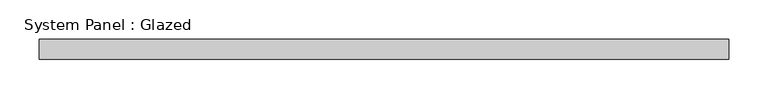
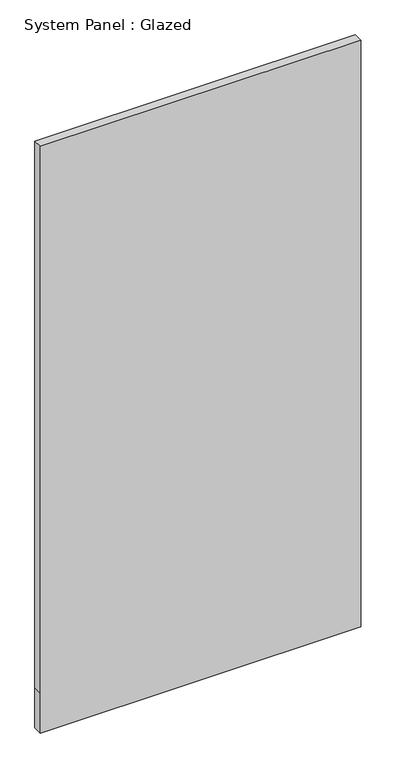
"""IFC4 building model written with IfcOpenShell, lengths in millimetres: plate geometry, System Panel : Glazed."""

import ifcopenshell
import ifcopenshell.guid

model = None  # the IFC model being written
_history = None  # IfcOwnerHistory: only IFC2X3 demands one
_inside = {}  # id of a spatial element -> (the spatial element, [elements in it])
_under = {}  # id of a project, library or spatial element -> (it, [spatial elements below it])
_declared = {}  # id of a project -> (the project, [libraries it declares])
_typed = {}  # id of a type object -> (the type object, [elements of that type])
_made_of = {}  # id of a material, layer set ... -> (it, [elements and type objects made of it])


def new_model(schema):
    """Start an empty IFC model of exactly this schema.

    Asked for "IFC4X3", IfcOpenShell would pick the latest addendum, in which some entities
    have other attributes; the version numbers below select the first issue.
    IFC2X3 requires an IfcOwnerHistory on every rooted entity: one is made here for all.
    """
    global model, _history
    if schema == "IFC4X3":
        model = ifcopenshell.file(schema_version=(4, 3, 0, 0))
    else:
        model = ifcopenshell.file(schema=schema)
    _inside.clear()
    _under.clear()
    _declared.clear()
    _typed.clear()
    _made_of.clear()
    _history = None
    if model.schema == "IFC2X3":
        org = make("IfcOrganization", Name="unknown")
        user = make(
            "IfcPersonAndOrganization",
            ThePerson=make("IfcPerson", FamilyName="unknown"),
            TheOrganization=org,
        )
        app = make(
            "IfcApplication",
            ApplicationDeveloper=org,
            Version="unknown",
            ApplicationFullName="unknown",
            ApplicationIdentifier="unknown",
        )
        _history = make(
            "IfcOwnerHistory",
            OwningUser=user,
            OwningApplication=app,
            ChangeAction="ADDED",
            CreationDate=0,
        )
    return model


def make(cls, **values):
    """One entity of the class cls with the attributes given. An attribute that is None is left unset."""
    return model.create_entity(
        cls, **{name: value for name, value in values.items() if value is not None}
    )


def rooted(cls, **values):
    """An entity with a GlobalId (a new one), such as an element, a storey or a relation."""
    return make(cls, GlobalId=ifcopenshell.guid.new(), OwnerHistory=_history, **values)


def si_unit(unit_type, name, prefix=None):
    """IfcSIUnit, for example si_unit("LENGTHUNIT", "METRE", prefix="MILLI")."""
    return make("IfcSIUnit", UnitType=unit_type, Prefix=prefix, Name=name)


def assignment(units):
    """IfcUnitAssignment: the units of a project."""
    return None if units is None else make("IfcUnitAssignment", Units=units)


def point(xyz):
    """IfcCartesianPoint."""
    return None if xyz is None else make("IfcCartesianPoint", Coordinates=xyz)


def direction(xyz):
    """IfcDirection."""
    return None if xyz is None else make("IfcDirection", DirectionRatios=xyz)


def frame(location, z_axis=None, x_axis=None):
    """IfcAxis2Placement3D, a coordinate frame: its origin and axes. An axis left out is left unset."""
    return make(
        "IfcAxis2Placement3D",
        Location=point(location),
        Axis=direction(z_axis),
        RefDirection=direction(x_axis),
    )


def origin():
    """The frame at (0, 0, 0) with its axes left unset."""
    return frame((0.0, 0.0, 0.0))


def place(relative_to, where):
    """IfcLocalPlacement: puts the frame where relative to a parent placement (None: the world)."""
    return make(
        "IfcLocalPlacement", PlacementRelTo=relative_to, RelativePlacement=where
    )


def context(
    kind, dimensions, precision=None, world=None, true_north=None, identifier=None
):
    """IfcGeometricRepresentationContext, for example the 3D "Model" context."""
    return make(
        "IfcGeometricRepresentationContext",
        ContextIdentifier=identifier,
        ContextType=kind,
        CoordinateSpaceDimension=dimensions,
        Precision=precision,
        WorldCoordinateSystem=world,
        TrueNorth=true_north,
    )


def project(units=None, contexts=None):
    """IfcProject with its units and contexts."""
    return rooted(
        "IfcProject",
        Name="project",
        RepresentationContexts=contexts,
        UnitsInContext=assignment(units),
    )


def spatial(cls, under=None, at=None, **own):
    """A site, building, storey or space (cls), placed at a placement, below another one or the project."""
    s = rooted(cls, ObjectPlacement=at, **own)
    if under is not None:
        _under.setdefault(under.id(), (under, []))[1].append(s)
    return s


def polyline(points):
    """IfcPolyline through the points."""
    return make("IfcPolyline", Points=[point(p) for p in points])


def outline(outer, holes=None, kind="AREA"):
    """IfcArbitraryClosedProfileDef: a profile drawn as a closed curve; with holes, ...WithVoids."""
    if holes is None:
        return make("IfcArbitraryClosedProfileDef", ProfileType=kind, OuterCurve=outer)
    return make(
        "IfcArbitraryProfileDefWithVoids",
        ProfileType=kind,
        OuterCurve=outer,
        InnerCurves=holes,
    )


def extrude(swept, where, along, depth):
    """IfcExtrudedAreaSolid: the profile swept, set in the frame where, extruded along a direction by depth."""
    return make(
        "IfcExtrudedAreaSolid",
        SweptArea=swept,
        Position=where,
        ExtrudedDirection=direction(along),
        Depth=depth,
    )


def shape(context_of_items, identifier, shape_type, items):
    """IfcShapeRepresentation: the items that make up one representation, for example the "Body"."""
    return make(
        "IfcShapeRepresentation",
        ContextOfItems=context_of_items,
        RepresentationIdentifier=identifier,
        RepresentationType=shape_type,
        Items=items,
    )


def source(mapping_origin, context_of_items, identifier, shape_type, items):
    """IfcRepresentationMap: a shape defined once, which mapped items show again and again."""
    return make(
        "IfcRepresentationMap",
        MappingOrigin=mapping_origin,
        MappedRepresentation=shape(context_of_items, identifier, shape_type, items),
    )


def transform(
    local_origin,
    x_axis=None,
    y_axis=None,
    z_axis=None,
    scale=None,
    scale2=None,
    scale3=None,
    uniform=True,
):
    """IfcCartesianTransformationOperator3D, or its non-uniform kind. x_axis, y_axis, z_axis: its Axis1, 2, 3."""
    if uniform:
        return make(
            "IfcCartesianTransformationOperator3D",
            Axis1=direction(x_axis),
            Axis2=direction(y_axis),
            LocalOrigin=point(local_origin),
            Scale=scale,
            Axis3=direction(z_axis),
        )
    return make(
        "IfcCartesianTransformationOperator3DnonUniform",
        Axis1=direction(x_axis),
        Axis2=direction(y_axis),
        LocalOrigin=point(local_origin),
        Scale=scale,
        Axis3=direction(z_axis),
        Scale2=scale2,
        Scale3=scale3,
    )


def mapped(mapping_source, mapping_target):
    """IfcMappedItem: shows the shape of a source again, moved by a transform."""
    return make(
        "IfcMappedItem", MappingSource=mapping_source, MappingTarget=mapping_target
    )


def made_of(thing, what):
    """Note that an element or type object is made of a material, layer set ...; save() writes the relation."""
    if what is not None:
        _made_of.setdefault(what.id(), (what, []))[1].append(thing)
    return thing


def element(
    cls,
    number,
    at=None,
    inside=None,
    cuts=None,
    type_object=None,
    material=None,
    context=None,
    identifier="Body",
    shape_type=None,
    held_by="IfcProductDefinitionShape",
    body=None,
    shapes=None,
    **own,
):
    """One element of the class cls, such as IfcWall. Its Tag is "e" and its number.

    at: its placement. inside: the storey or other place that contains it. cuts: it is an
    opening in that element (IfcRelVoidsElement). A single representation is given by context,
    identifier, shape_type and body (its items); several are given by shapes. held_by: the class
    of the entity that holds the representations. save() writes the other relations.
    """
    e = rooted(cls, Tag="e%d" % number, ObjectPlacement=at, **own)
    if body is not None:
        shapes = [shape(context, identifier, shape_type, body)]
    if shapes is not None:
        e.Representation = make(held_by, Representations=shapes)
    if inside is not None:
        _inside.setdefault(inside.id(), (inside, []))[1].append(e)
    if cuts is not None:
        rooted(
            "IfcRelVoidsElement", RelatingBuildingElement=cuts, RelatedOpeningElement=e
        )
    if type_object is not None:
        _typed.setdefault(type_object.id(), (type_object, []))[1].append(e)
    return made_of(e, material)


def aggregate(whole, parts):
    """IfcRelAggregates: a whole, such as a stair, and the parts it consists of."""
    return rooted("IfcRelAggregates", RelatingObject=whole, RelatedObjects=parts)


def save(model, path):
    """Write the relations noted so far, then the file.

    IfcRelAggregates (storeys below a building ...), IfcRelContainedInSpatialStructure (elements
    in a storey), IfcRelDefinesByType, IfcRelAssociatesMaterial and IfcRelDeclares: one each for
    every whole, place, type object, material and project.
    """
    for whole, parts in _under.values():
        aggregate(whole, parts)
    for where, things in _inside.values():
        rooted(
            "IfcRelContainedInSpatialStructure",
            RelatedElements=things,
            RelatingStructure=where,
        )
    for kind, things in _typed.values():
        rooted("IfcRelDefinesByType", RelatedObjects=things, RelatingType=kind)
    for what, things in _made_of.values():
        rooted("IfcRelAssociatesMaterial", RelatedObjects=things, RelatingMaterial=what)
    for by, libraries in _declared.values():
        rooted("IfcRelDeclares", RelatingContext=by, RelatedDefinitions=libraries)
    model.write(path)


def system_panel_glazed_8316cf91(model_context):
    return source(origin(), model_context, "Body", "SweptSolid", [
        extrude(outline(polyline([(0.0, -436.6666667), (0.0, 436.6666667), (115.0, 436.6666667), (1690.0, 436.6666667), (1690.0, -436.6666667), (115.0, -436.6666667), (0.0, -436.6666667)])), frame((0.0, -49.5, 0.0), z_axis=(0.0, 1.0, 0.0), x_axis=(0.0, 0.0, 1.0)), (0.0, 0.0, 1.0), 25.0),
    ])


if __name__ == "__main__":
    model = new_model("IFC4")
    model_context = context("Model", 3, world=origin())
    ifc_project = project(units=[si_unit("LENGTHUNIT", "METRE", prefix="MILLI")], contexts=[model_context])
    site = spatial("IfcSite", under=ifc_project)
    building = spatial("IfcBuilding", under=site)
    placement = place(None, origin())
    system_panel_glazed_shape = system_panel_glazed_8316cf91(model_context)
    element("IfcPlate", 1, ObjectType="System Panel : Glazed", at=placement, inside=building, context=model_context, shape_type="MappedRepresentation", body=[
        mapped(system_panel_glazed_shape, transform((0.0, 0.0, 0.0), x_axis=(1.0, 0.0, 0.0), y_axis=(0.0, 1.0, 0.0), z_axis=(0.0, 0.0, 1.0))),
    ])
    save(model, "model.ifc")
